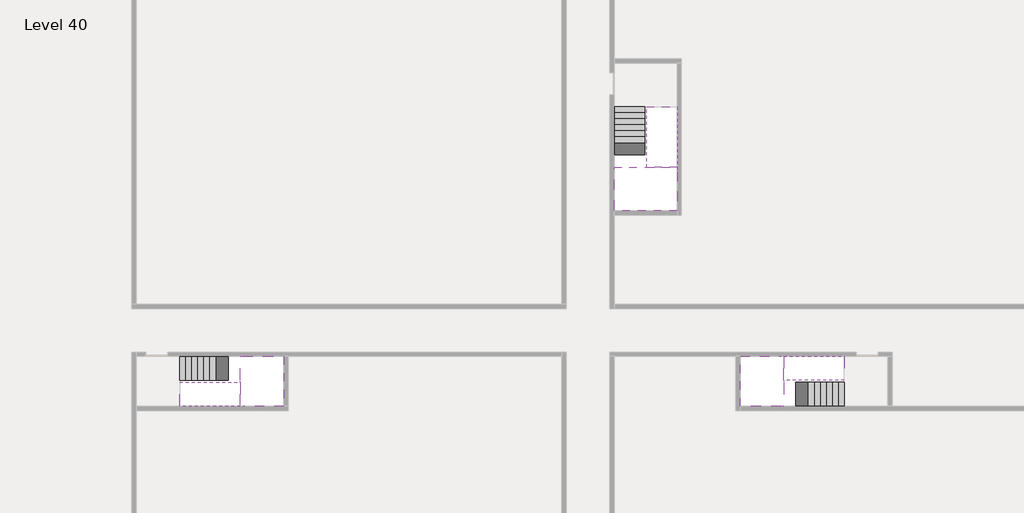
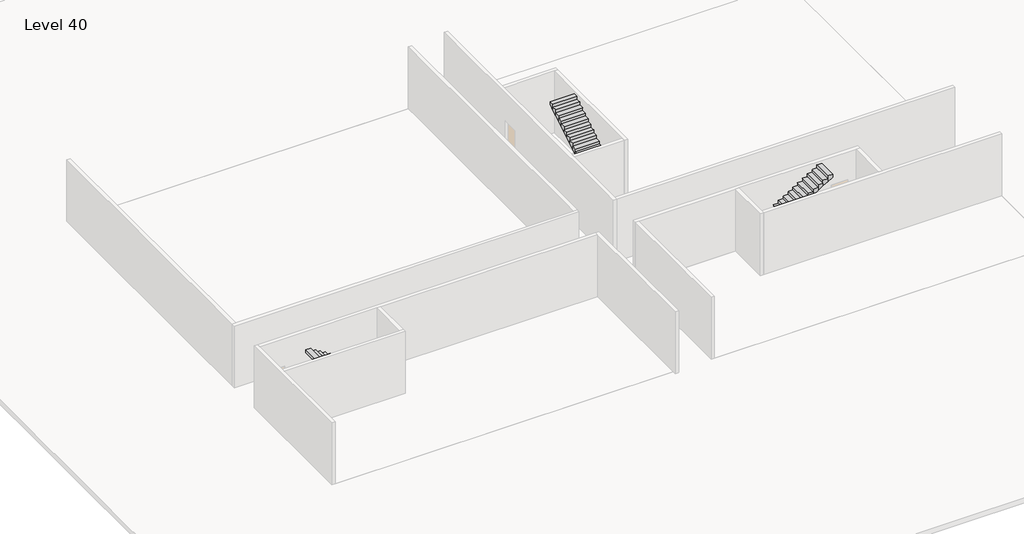
# One storey, part 2 of 2: 6 stair flights, 3 slabs.
"""IFC4 building model written with IfcOpenShell, lengths in millimetres."""

from ifc_helpers import new_model, si_unit, origin, place, context, project, spatial, faceted_brep, element, save

model = new_model("IFC4")

# Units and contexts
model_context = context("Model", 3, world=origin())
ifc_project = project(units=[si_unit("LENGTHUNIT", "METRE", prefix="MILLI")], contexts=[model_context])

# Site, building, storey
site = spatial("IfcSite", under=ifc_project)
building = spatial("IfcBuilding", under=site)
storey = spatial("IfcBuildingStorey", under=building, Name="Level 40", Elevation=148200.0)

# Slabs
placement = place(None, origin())
element("IfcSlab", 1, at=placement, inside=storey, context=model_context, shape_type="Brep", body=[
    faceted_brep([(8190.1058784, -42918.09644, 150100.0), (8190.1058784, -44018.09644, 150100.0), (8190.1058784, -44118.09644, 150100.0), (8190.1058784, -45218.09644, 150100.0), (8390.7194421, -45218.09644, 150100.0), (10190.1058784, -45218.09644, 150100.0), (10190.1058784, -42918.09644, 150100.0), (8269.4923146, -42918.09644, 150100.0), (8190.1058784, -42918.09644, 149927.2727273), (8190.1058784, -42918.09644, 149751.0278478), (8190.1058784, -44018.09644, 149751.0278478), (8190.1058784, -44018.09644, 149800.0), (8190.1058784, -44118.09644, 149800.0), (8190.1058784, -44118.09644, 149923.7551205), (8190.1058784, -45218.09644, 149923.7551205), (8390.7194421, -45218.09644, 149800.0), (10190.1058784, -45218.09644, 149800.0), (10190.1058784, -42918.09644, 149800.0), (8269.4923146, -42918.09644, 149800.0), (8390.7194421, -44118.09644, 149800.0), (8269.4923146, -44018.09644, 149800.0)], [[[0, 1, 2, 3, 4, 5, 6, 7]], [[1, 0, 8, 9, 10, 11]], [[2, 1, 11, 12, 13]], [[3, 2, 13, 14]], [[3, 14, 15, 16, 5, 4]], [[6, 5, 16, 17]], [[9, 8, 0, 7, 6, 17, 18]], [[19, 12, 11, 20, 18, 17, 16, 15]], [[12, 19, 13]], [[18, 20, 10, 9]], [[20, 11, 10]], [[19, 15, 14, 13]]]),
])
element("IfcSlab", 2, at=placement, inside=storey, context=model_context, shape_type="Brep", body=[
    faceted_brep([(33190.1058784, -45218.09644, 150100.0), (33190.1058784, -44118.09644, 150100.0), (33190.1058784, -44018.09644, 150100.0), (33190.1058784, -42918.09644, 150100.0), (32989.4923146, -42918.09644, 150100.0), (31190.1058784, -42918.09644, 150100.0), (31190.1058784, -45218.09644, 150100.0), (33110.7194421, -45218.09644, 150100.0), (33190.1058784, -45218.09644, 149927.2727273), (33190.1058784, -45218.09644, 149751.0278478), (33190.1058784, -44118.09644, 149751.0278478), (33190.1058784, -44118.09644, 149800.0), (33190.1058784, -44018.09644, 149800.0), (33190.1058784, -44018.09644, 149923.7551205), (33190.1058784, -42918.09644, 149923.7551205), (32989.4923146, -42918.09644, 149800.0), (31190.1058784, -42918.09644, 149800.0), (31190.1058784, -45218.09644, 149800.0), (33110.7194421, -45218.09644, 149800.0), (32989.4923146, -44018.09644, 149800.0), (33110.7194421, -44118.09644, 149800.0)], [[[0, 1, 2, 3, 4, 5, 6, 7]], [[1, 0, 8, 9, 10, 11]], [[2, 1, 11, 12, 13]], [[3, 2, 13, 14]], [[3, 14, 15, 16, 5, 4]], [[6, 5, 16, 17]], [[9, 8, 0, 7, 6, 17, 18]], [[19, 12, 11, 20, 18, 17, 16, 15]], [[12, 19, 13]], [[18, 20, 10, 9]], [[20, 11, 10]], [[19, 15, 14, 13]]]),
])
element("IfcSlab", 3, at=placement, inside=storey, context=model_context, shape_type="Brep", body=[
    faceted_brep([(26790.1058784, -34218.09644, 150100.0), (25390.1058784, -34218.09644, 150100.0), (25390.1058784, -34297.4828763, 150100.0), (25390.1058784, -36218.09644, 150100.0), (28290.1058784, -36218.09644, 150100.0), (28290.1058784, -34418.7100038, 150100.0), (28290.1058784, -34218.09644, 150100.0), (26890.1058784, -34218.09644, 150100.0), (26790.1058784, -34218.09644, 149800.0), (26790.1058784, -34218.09644, 149751.0278478), (25390.1058784, -34218.09644, 149751.0278478), (25390.1058784, -34218.09644, 149927.2727273), (25390.1058784, -34297.4828763, 149800.0), (25390.1058784, -36218.09644, 149800.0), (28290.1058784, -36218.09644, 149800.0), (28290.1058784, -34418.7100038, 149800.0), (28290.1058784, -34218.09644, 149923.7551205), (26890.1058784, -34218.09644, 149923.7551205), (26890.1058784, -34218.09644, 149800.0), (26890.1058784, -34418.7100038, 149800.0), (26790.1058784, -34297.4828763, 149800.0)], [[[0, 1, 2, 3, 4, 5, 6, 7]], [[1, 0, 8, 9, 10, 11]], [[1, 11, 10, 12, 13, 3, 2]], [[4, 3, 13, 14]], [[4, 14, 15, 16, 6, 5]], [[7, 6, 16, 17]], [[0, 7, 17, 18, 8]], [[18, 19, 15, 14, 13, 12, 20, 8]], [[19, 18, 17]], [[20, 12, 10, 9]], [[8, 20, 9]], [[15, 19, 17, 16]]]),
])

# Stair flights
element("IfcStairFlight", 4, at=placement, inside=storey, context=model_context, shape_type="Brep", body=[
    faceted_brep([(5670.1058784, -42918.09644, 148372.7272727), (5390.1058784, -42918.09644, 148372.7272727), (5390.1058784, -44018.09644, 148372.7272727), (5670.1058784, -44018.09644, 148372.7272727), (5670.1058784, -42918.09644, 148200.0), (5390.1058784, -42918.09644, 148200.0), (5390.1058784, -44018.09644, 148200.0), (5670.1058784, -44018.09644, 148200.0), (5950.1058784, -42918.09644, 148545.4545455), (5670.1058784, -42918.09644, 148545.4545455), (5670.1058784, -44018.09644, 148545.4545455), (5950.1058784, -44018.09644, 148545.4545455), (5950.1058784, -42918.09644, 148369.209666), (5675.8081041, -42918.09644, 148200.0), (5675.8081041, -44018.09644, 148200.0), (5950.1058784, -44018.09644, 148369.209666), (6230.1058784, -42918.09644, 148718.1818182), (5950.1058784, -42918.09644, 148718.1818182), (5950.1058784, -44018.09644, 148718.1818182), (6230.1058784, -44018.09644, 148718.1818182), (6230.1058784, -42918.09644, 148541.9369387), (6230.1058784, -44018.09644, 148541.9369387), (6510.1058784, -42918.09644, 148890.9090909), (6230.1058784, -42918.09644, 148890.9090909), (6230.1058784, -44018.09644, 148890.9090909), (6510.1058784, -44018.09644, 148890.9090909), (6510.1058784, -42918.09644, 148714.6642114), (6510.1058784, -44018.09644, 148714.6642114), (6790.1058784, -42918.09644, 149063.6363636), (6510.1058784, -42918.09644, 149063.6363636), (6510.1058784, -44018.09644, 149063.6363636), (6790.1058784, -44018.09644, 149063.6363636), (6790.1058784, -42918.09644, 148887.3914841), (6790.1058784, -44018.09644, 148887.3914841), (7070.1058784, -42918.09644, 149236.3636364), (6790.1058784, -42918.09644, 149236.3636364), (6790.1058784, -44018.09644, 149236.3636364), (7070.1058784, -44018.09644, 149236.3636364), (7070.1058784, -42918.09644, 149060.1187569), (7070.1058784, -44018.09644, 149060.1187569), (7350.1058784, -42918.09644, 149409.0909091), (7070.1058784, -42918.09644, 149409.0909091), (7070.1058784, -44018.09644, 149409.0909091), (7350.1058784, -44018.09644, 149409.0909091), (7350.1058784, -42918.09644, 149232.8460296), (7350.1058784, -44018.09644, 149232.8460296), (7630.1058784, -42918.09644, 149581.8181818), (7350.1058784, -42918.09644, 149581.8181818), (7350.1058784, -44018.09644, 149581.8181818), (7630.1058784, -44018.09644, 149581.8181818), (7630.1058784, -42918.09644, 149405.5733023), (7630.1058784, -44018.09644, 149405.5733023), (7910.1058784, -42918.09644, 149754.5454545), (7630.1058784, -42918.09644, 149754.5454545), (7630.1058784, -44018.09644, 149754.5454545), (7910.1058784, -44018.09644, 149754.5454545), (7910.1058784, -42918.09644, 149578.3005751), (7910.1058784, -44018.09644, 149578.3005751), (8190.1058784, -42918.09644, 149927.2727273), (7910.1058784, -42918.09644, 149927.2727273), (7910.1058784, -44018.09644, 149927.2727273), (8190.1058784, -44018.09644, 149927.2727273), (8190.1058784, -42918.09644, 149751.0278478), (8190.1058784, -44018.09644, 149751.0278478), (8190.1058784, -44018.09644, 149800.0)], [[[0, 1, 2, 3]], [[1, 0, 4, 5]], [[2, 1, 5, 6]], [[3, 2, 6, 7]], [[8, 9, 10, 11]], [[4, 0, 9, 8, 12, 13]], [[0, 3, 10, 9]], [[3, 7, 14, 15, 11, 10]], [[16, 17, 18, 19]], [[17, 16, 20, 12, 8]], [[8, 11, 18, 17]], [[19, 18, 11, 15, 21]], [[22, 23, 24, 25]], [[23, 22, 26, 20, 16]], [[16, 19, 24, 23]], [[25, 24, 19, 21, 27]], [[28, 29, 30, 31]], [[29, 28, 32, 26, 22]], [[22, 25, 30, 29]], [[31, 30, 25, 27, 33]], [[34, 35, 36, 37]], [[35, 34, 38, 32, 28]], [[28, 31, 36, 35]], [[37, 36, 31, 33, 39]], [[40, 41, 42, 43]], [[41, 40, 44, 38, 34]], [[34, 37, 42, 41]], [[43, 42, 37, 39, 45]], [[46, 47, 48, 49]], [[47, 46, 50, 44, 40]], [[40, 43, 48, 47]], [[49, 48, 43, 45, 51]], [[52, 53, 54, 55]], [[53, 52, 56, 50, 46]], [[46, 49, 54, 53]], [[55, 54, 49, 51, 57]], [[58, 59, 60, 61]], [[59, 58, 62, 56, 52]], [[52, 55, 60, 59]], [[61, 60, 55, 57, 63, 64]], [[58, 61, 64, 63, 62]], [[5, 4, 13, 14, 7, 6]], [[14, 13, 12, 20, 26, 32, 38, 44, 50, 56, 62, 63, 57, 51, 45, 39, 33, 27, 21, 15]]]),
])
element("IfcStairFlight", 5, at=placement, inside=storey, context=model_context, shape_type="Brep", body=[
    faceted_brep([(7910.1058784, -45218.09644, 150272.7272727), (8190.1058784, -45218.09644, 150272.7272727), (8190.1058784, -44118.09644, 150272.7272727), (7910.1058784, -44118.09644, 150272.7272727), (7910.1058784, -45218.09644, 150096.4823932), (8190.1058784, -45218.09644, 149923.7551205), (8190.1058784, -45218.09644, 150100.0), (8190.1058784, -44118.09644, 149923.7551205), (7910.1058784, -44118.09644, 150096.4823932), (7630.1058784, -45218.09644, 150445.4545455), (7910.1058784, -45218.09644, 150445.4545455), (7910.1058784, -44118.09644, 150445.4545455), (7630.1058784, -44118.09644, 150445.4545455), (7630.1058784, -45218.09644, 150269.209666), (7630.1058784, -44118.09644, 150269.209666), (7350.1058784, -45218.09644, 150618.1818182), (7630.1058784, -45218.09644, 150618.1818182), (7630.1058784, -44118.09644, 150618.1818182), (7350.1058784, -44118.09644, 150618.1818182), (7350.1058784, -45218.09644, 150441.9369387), (7350.1058784, -44118.09644, 150441.9369387), (7070.1058784, -45218.09644, 150790.9090909), (7350.1058784, -45218.09644, 150790.9090909), (7350.1058784, -44118.09644, 150790.9090909), (7070.1058784, -44118.09644, 150790.9090909), (7070.1058784, -45218.09644, 150614.6642114), (7070.1058784, -44118.09644, 150614.6642114), (6790.1058784, -45218.09644, 150963.6363636), (7070.1058784, -45218.09644, 150963.6363636), (7070.1058784, -44118.09644, 150963.6363636), (6790.1058784, -44118.09644, 150963.6363636), (6790.1058784, -45218.09644, 150787.3914841), (6790.1058784, -44118.09644, 150787.3914841), (6510.1058784, -45218.09644, 151136.3636364), (6790.1058784, -45218.09644, 151136.3636364), (6790.1058784, -44118.09644, 151136.3636364), (6510.1058784, -44118.09644, 151136.3636364), (6510.1058784, -45218.09644, 150960.1187569), (6510.1058784, -44118.09644, 150960.1187569), (6230.1058784, -45218.09644, 151309.0909091), (6510.1058784, -45218.09644, 151309.0909091), (6510.1058784, -44118.09644, 151309.0909091), (6230.1058784, -44118.09644, 151309.0909091), (6230.1058784, -45218.09644, 151132.8460296), (6230.1058784, -44118.09644, 151132.8460296), (5950.1058784, -45218.09644, 151481.8181818), (6230.1058784, -45218.09644, 151481.8181818), (6230.1058784, -44118.09644, 151481.8181818), (5950.1058784, -44118.09644, 151481.8181818), (5950.1058784, -45218.09644, 151305.5733023), (5950.1058784, -44118.09644, 151305.5733023), (5670.1058784, -45218.09644, 151654.5454545), (5950.1058784, -45218.09644, 151654.5454545), (5950.1058784, -44118.09644, 151654.5454545), (5670.1058784, -44118.09644, 151654.5454545), (5670.1058784, -45218.09644, 151478.3005751), (5670.1058784, -44118.09644, 151478.3005751), (5390.1058784, -45218.09644, 151827.2727273), (5670.1058784, -45218.09644, 151827.2727273), (5670.1058784, -44118.09644, 151827.2727273), (5390.1058784, -44118.09644, 151827.2727273), (5390.1058784, -45218.09644, 151651.0278478), (5390.1058784, -44118.09644, 151651.0278478)], [[[0, 1, 2, 3]], [[1, 0, 4, 5, 6]], [[2, 1, 6, 5, 7]], [[3, 2, 7, 8]], [[9, 10, 11, 12]], [[10, 9, 13, 4, 0]], [[11, 10, 0, 3]], [[12, 11, 3, 8, 14]], [[15, 16, 17, 18]], [[16, 15, 19, 13, 9]], [[17, 16, 9, 12]], [[18, 17, 12, 14, 20]], [[21, 22, 23, 24]], [[22, 21, 25, 19, 15]], [[23, 22, 15, 18]], [[24, 23, 18, 20, 26]], [[27, 28, 29, 30]], [[28, 27, 31, 25, 21]], [[29, 28, 21, 24]], [[30, 29, 24, 26, 32]], [[33, 34, 35, 36]], [[34, 33, 37, 31, 27]], [[35, 34, 27, 30]], [[36, 35, 30, 32, 38]], [[39, 40, 41, 42]], [[40, 39, 43, 37, 33]], [[41, 40, 33, 36]], [[42, 41, 36, 38, 44]], [[45, 46, 47, 48]], [[46, 45, 49, 43, 39]], [[47, 46, 39, 42]], [[48, 47, 42, 44, 50]], [[51, 52, 53, 54]], [[52, 51, 55, 49, 45]], [[53, 52, 45, 48]], [[54, 53, 48, 50, 56]], [[57, 58, 59, 60]], [[58, 57, 61, 55, 51]], [[59, 58, 51, 54]], [[60, 59, 54, 56, 62]], [[57, 60, 62, 61]], [[5, 4, 13, 19, 25, 31, 37, 43, 49, 55, 61, 62, 56, 50, 44, 38, 32, 26, 20, 14, 8, 7]]]),
])
element("IfcStairFlight", 6, at=placement, inside=storey, context=model_context, shape_type="Brep", body=[
    faceted_brep([(35710.1058784, -45218.09644, 148372.7272727), (35990.1058784, -45218.09644, 148372.7272727), (35990.1058784, -44118.09644, 148372.7272727), (35710.1058784, -44118.09644, 148372.7272727), (35710.1058784, -45218.09644, 148200.0), (35990.1058784, -45218.09644, 148200.0), (35990.1058784, -44118.09644, 148200.0), (35710.1058784, -44118.09644, 148200.0), (35430.1058784, -45218.09644, 148545.4545455), (35710.1058784, -45218.09644, 148545.4545455), (35710.1058784, -44118.09644, 148545.4545455), (35430.1058784, -44118.09644, 148545.4545455), (35430.1058784, -45218.09644, 148369.209666), (35704.4036527, -45218.09644, 148200.0), (35704.4036527, -44118.09644, 148200.0), (35430.1058784, -44118.09644, 148369.209666), (35150.1058784, -45218.09644, 148718.1818182), (35430.1058784, -45218.09644, 148718.1818182), (35430.1058784, -44118.09644, 148718.1818182), (35150.1058784, -44118.09644, 148718.1818182), (35150.1058784, -45218.09644, 148541.9369387), (35150.1058784, -44118.09644, 148541.9369387), (34870.1058784, -45218.09644, 148890.9090909), (35150.1058784, -45218.09644, 148890.9090909), (35150.1058784, -44118.09644, 148890.9090909), (34870.1058784, -44118.09644, 148890.9090909), (34870.1058784, -45218.09644, 148714.6642114), (34870.1058784, -44118.09644, 148714.6642114), (34590.1058784, -45218.09644, 149063.6363636), (34870.1058784, -45218.09644, 149063.6363636), (34870.1058784, -44118.09644, 149063.6363636), (34590.1058784, -44118.09644, 149063.6363636), (34590.1058784, -45218.09644, 148887.3914841), (34590.1058784, -44118.09644, 148887.3914841), (34310.1058784, -45218.09644, 149236.3636364), (34590.1058784, -45218.09644, 149236.3636364), (34590.1058784, -44118.09644, 149236.3636364), (34310.1058784, -44118.09644, 149236.3636364), (34310.1058784, -45218.09644, 149060.1187569), (34310.1058784, -44118.09644, 149060.1187569), (34030.1058784, -45218.09644, 149409.0909091), (34310.1058784, -45218.09644, 149409.0909091), (34310.1058784, -44118.09644, 149409.0909091), (34030.1058784, -44118.09644, 149409.0909091), (34030.1058784, -45218.09644, 149232.8460296), (34030.1058784, -44118.09644, 149232.8460296), (33750.1058784, -45218.09644, 149581.8181818), (34030.1058784, -45218.09644, 149581.8181818), (34030.1058784, -44118.09644, 149581.8181818), (33750.1058784, -44118.09644, 149581.8181818), (33750.1058784, -45218.09644, 149405.5733023), (33750.1058784, -44118.09644, 149405.5733023), (33470.1058784, -45218.09644, 149754.5454545), (33750.1058784, -45218.09644, 149754.5454545), (33750.1058784, -44118.09644, 149754.5454545), (33470.1058784, -44118.09644, 149754.5454545), (33470.1058784, -45218.09644, 149578.3005751), (33470.1058784, -44118.09644, 149578.3005751), (33190.1058784, -45218.09644, 149927.2727273), (33470.1058784, -45218.09644, 149927.2727273), (33470.1058784, -44118.09644, 149927.2727273), (33190.1058784, -44118.09644, 149927.2727273), (33190.1058784, -45218.09644, 149751.0278478), (33190.1058784, -44118.09644, 149751.0278478), (33190.1058784, -44118.09644, 149800.0)], [[[0, 1, 2, 3]], [[1, 0, 4, 5]], [[2, 1, 5, 6]], [[3, 2, 6, 7]], [[8, 9, 10, 11]], [[4, 0, 9, 8, 12, 13]], [[0, 3, 10, 9]], [[3, 7, 14, 15, 11, 10]], [[16, 17, 18, 19]], [[17, 16, 20, 12, 8]], [[8, 11, 18, 17]], [[19, 18, 11, 15, 21]], [[22, 23, 24, 25]], [[23, 22, 26, 20, 16]], [[16, 19, 24, 23]], [[25, 24, 19, 21, 27]], [[28, 29, 30, 31]], [[29, 28, 32, 26, 22]], [[22, 25, 30, 29]], [[31, 30, 25, 27, 33]], [[34, 35, 36, 37]], [[35, 34, 38, 32, 28]], [[28, 31, 36, 35]], [[37, 36, 31, 33, 39]], [[40, 41, 42, 43]], [[41, 40, 44, 38, 34]], [[34, 37, 42, 41]], [[43, 42, 37, 39, 45]], [[46, 47, 48, 49]], [[47, 46, 50, 44, 40]], [[40, 43, 48, 47]], [[49, 48, 43, 45, 51]], [[52, 53, 54, 55]], [[53, 52, 56, 50, 46]], [[46, 49, 54, 53]], [[55, 54, 49, 51, 57]], [[58, 59, 60, 61]], [[59, 58, 62, 56, 52]], [[52, 55, 60, 59]], [[61, 60, 55, 57, 63, 64]], [[58, 61, 64, 63, 62]], [[5, 4, 13, 14, 7, 6]], [[14, 13, 12, 20, 26, 32, 38, 44, 50, 56, 62, 63, 57, 51, 45, 39, 33, 27, 21, 15]]]),
])
element("IfcStairFlight", 7, at=placement, inside=storey, context=model_context, shape_type="Brep", body=[
    faceted_brep([(33470.1058784, -42918.09644, 150272.7272727), (33190.1058784, -42918.09644, 150272.7272727), (33190.1058784, -44018.09644, 150272.7272727), (33470.1058784, -44018.09644, 150272.7272727), (33470.1058784, -42918.09644, 150096.4823932), (33190.1058784, -42918.09644, 149923.7551205), (33190.1058784, -42918.09644, 150100.0), (33190.1058784, -44018.09644, 149923.7551205), (33470.1058784, -44018.09644, 150096.4823932), (33750.1058784, -42918.09644, 150445.4545455), (33470.1058784, -42918.09644, 150445.4545455), (33470.1058784, -44018.09644, 150445.4545455), (33750.1058784, -44018.09644, 150445.4545455), (33750.1058784, -42918.09644, 150269.209666), (33750.1058784, -44018.09644, 150269.209666), (34030.1058784, -42918.09644, 150618.1818182), (33750.1058784, -42918.09644, 150618.1818182), (33750.1058784, -44018.09644, 150618.1818182), (34030.1058784, -44018.09644, 150618.1818182), (34030.1058784, -42918.09644, 150441.9369387), (34030.1058784, -44018.09644, 150441.9369387), (34310.1058784, -42918.09644, 150790.9090909), (34030.1058784, -42918.09644, 150790.9090909), (34030.1058784, -44018.09644, 150790.9090909), (34310.1058784, -44018.09644, 150790.9090909), (34310.1058784, -42918.09644, 150614.6642114), (34310.1058784, -44018.09644, 150614.6642114), (34590.1058784, -42918.09644, 150963.6363636), (34310.1058784, -42918.09644, 150963.6363636), (34310.1058784, -44018.09644, 150963.6363636), (34590.1058784, -44018.09644, 150963.6363636), (34590.1058784, -42918.09644, 150787.3914841), (34590.1058784, -44018.09644, 150787.3914841), (34870.1058784, -42918.09644, 151136.3636364), (34590.1058784, -42918.09644, 151136.3636364), (34590.1058784, -44018.09644, 151136.3636364), (34870.1058784, -44018.09644, 151136.3636364), (34870.1058784, -42918.09644, 150960.1187569), (34870.1058784, -44018.09644, 150960.1187569), (35150.1058784, -42918.09644, 151309.0909091), (34870.1058784, -42918.09644, 151309.0909091), (34870.1058784, -44018.09644, 151309.0909091), (35150.1058784, -44018.09644, 151309.0909091), (35150.1058784, -42918.09644, 151132.8460296), (35150.1058784, -44018.09644, 151132.8460296), (35430.1058784, -42918.09644, 151481.8181818), (35150.1058784, -42918.09644, 151481.8181818), (35150.1058784, -44018.09644, 151481.8181818), (35430.1058784, -44018.09644, 151481.8181818), (35430.1058784, -42918.09644, 151305.5733023), (35430.1058784, -44018.09644, 151305.5733023), (35710.1058784, -42918.09644, 151654.5454545), (35430.1058784, -42918.09644, 151654.5454545), (35430.1058784, -44018.09644, 151654.5454545), (35710.1058784, -44018.09644, 151654.5454545), (35710.1058784, -42918.09644, 151478.3005751), (35710.1058784, -44018.09644, 151478.3005751), (35990.1058784, -42918.09644, 151827.2727273), (35710.1058784, -42918.09644, 151827.2727273), (35710.1058784, -44018.09644, 151827.2727273), (35990.1058784, -44018.09644, 151827.2727273), (35990.1058784, -42918.09644, 151651.0278478), (35990.1058784, -44018.09644, 151651.0278478)], [[[0, 1, 2, 3]], [[1, 0, 4, 5, 6]], [[2, 1, 6, 5, 7]], [[3, 2, 7, 8]], [[9, 10, 11, 12]], [[10, 9, 13, 4, 0]], [[11, 10, 0, 3]], [[12, 11, 3, 8, 14]], [[15, 16, 17, 18]], [[16, 15, 19, 13, 9]], [[17, 16, 9, 12]], [[18, 17, 12, 14, 20]], [[21, 22, 23, 24]], [[22, 21, 25, 19, 15]], [[23, 22, 15, 18]], [[24, 23, 18, 20, 26]], [[27, 28, 29, 30]], [[28, 27, 31, 25, 21]], [[29, 28, 21, 24]], [[30, 29, 24, 26, 32]], [[33, 34, 35, 36]], [[34, 33, 37, 31, 27]], [[35, 34, 27, 30]], [[36, 35, 30, 32, 38]], [[39, 40, 41, 42]], [[40, 39, 43, 37, 33]], [[41, 40, 33, 36]], [[42, 41, 36, 38, 44]], [[45, 46, 47, 48]], [[46, 45, 49, 43, 39]], [[47, 46, 39, 42]], [[48, 47, 42, 44, 50]], [[51, 52, 53, 54]], [[52, 51, 55, 49, 45]], [[53, 52, 45, 48]], [[54, 53, 48, 50, 56]], [[57, 58, 59, 60]], [[58, 57, 61, 55, 51]], [[59, 58, 51, 54]], [[60, 59, 54, 56, 62]], [[57, 60, 62, 61]], [[5, 4, 13, 19, 25, 31, 37, 43, 49, 55, 61, 62, 56, 50, 44, 38, 32, 26, 20, 14, 8, 7]]]),
])
element("IfcStairFlight", 8, at=placement, inside=storey, context=model_context, shape_type="Brep", body=[
    faceted_brep([(26790.1058784, -31698.09644, 148372.7272727), (26790.1058784, -31418.09644, 148372.7272727), (25390.1058784, -31418.09644, 148372.7272727), (25390.1058784, -31698.09644, 148372.7272727), (26790.1058784, -31698.09644, 148200.0), (26790.1058784, -31418.09644, 148200.0), (25390.1058784, -31418.09644, 148200.0), (25390.1058784, -31698.09644, 148200.0), (26790.1058784, -31978.09644, 148545.4545455), (26790.1058784, -31698.09644, 148545.4545455), (25390.1058784, -31698.09644, 148545.4545455), (25390.1058784, -31978.09644, 148545.4545455), (26790.1058784, -31978.09644, 148369.209666), (26790.1058784, -31703.7986657, 148200.0), (25390.1058784, -31703.7986657, 148200.0), (25390.1058784, -31978.09644, 148369.209666), (26790.1058784, -32258.09644, 148718.1818182), (26790.1058784, -31978.09644, 148718.1818182), (25390.1058784, -31978.09644, 148718.1818182), (25390.1058784, -32258.09644, 148718.1818182), (26790.1058784, -32258.09644, 148541.9369387), (25390.1058784, -32258.09644, 148541.9369387), (26790.1058784, -32538.09644, 148890.9090909), (26790.1058784, -32258.09644, 148890.9090909), (25390.1058784, -32258.09644, 148890.9090909), (25390.1058784, -32538.09644, 148890.9090909), (26790.1058784, -32538.09644, 148714.6642114), (25390.1058784, -32538.09644, 148714.6642114), (26790.1058784, -32818.09644, 149063.6363636), (26790.1058784, -32538.09644, 149063.6363636), (25390.1058784, -32538.09644, 149063.6363636), (25390.1058784, -32818.09644, 149063.6363636), (26790.1058784, -32818.09644, 148887.3914841), (25390.1058784, -32818.09644, 148887.3914841), (26790.1058784, -33098.09644, 149236.3636364), (26790.1058784, -32818.09644, 149236.3636364), (25390.1058784, -32818.09644, 149236.3636364), (25390.1058784, -33098.09644, 149236.3636364), (26790.1058784, -33098.09644, 149060.1187569), (25390.1058784, -33098.09644, 149060.1187569), (26790.1058784, -33378.09644, 149409.0909091), (26790.1058784, -33098.09644, 149409.0909091), (25390.1058784, -33098.09644, 149409.0909091), (25390.1058784, -33378.09644, 149409.0909091), (26790.1058784, -33378.09644, 149232.8460296), (25390.1058784, -33378.09644, 149232.8460296), (26790.1058784, -33658.09644, 149581.8181818), (26790.1058784, -33378.09644, 149581.8181818), (25390.1058784, -33378.09644, 149581.8181818), (25390.1058784, -33658.09644, 149581.8181818), (26790.1058784, -33658.09644, 149405.5733023), (25390.1058784, -33658.09644, 149405.5733023), (26790.1058784, -33938.09644, 149754.5454545), (26790.1058784, -33658.09644, 149754.5454545), (25390.1058784, -33658.09644, 149754.5454545), (25390.1058784, -33938.09644, 149754.5454545), (26790.1058784, -33938.09644, 149578.3005751), (25390.1058784, -33938.09644, 149578.3005751), (26790.1058784, -34218.09644, 149927.2727273), (26790.1058784, -33938.09644, 149927.2727273), (25390.1058784, -33938.09644, 149927.2727273), (25390.1058784, -34218.09644, 149927.2727273), (26790.1058784, -34218.09644, 149800.0), (26790.1058784, -34218.09644, 149751.0278478), (25390.1058784, -34218.09644, 149751.0278478)], [[[0, 1, 2, 3]], [[1, 0, 4, 5]], [[2, 1, 5, 6]], [[3, 2, 6, 7]], [[8, 9, 10, 11]], [[4, 0, 9, 8, 12, 13]], [[0, 3, 10, 9]], [[3, 7, 14, 15, 11, 10]], [[16, 17, 18, 19]], [[17, 16, 20, 12, 8]], [[8, 11, 18, 17]], [[19, 18, 11, 15, 21]], [[22, 23, 24, 25]], [[23, 22, 26, 20, 16]], [[16, 19, 24, 23]], [[25, 24, 19, 21, 27]], [[28, 29, 30, 31]], [[29, 28, 32, 26, 22]], [[22, 25, 30, 29]], [[31, 30, 25, 27, 33]], [[34, 35, 36, 37]], [[35, 34, 38, 32, 28]], [[28, 31, 36, 35]], [[37, 36, 31, 33, 39]], [[40, 41, 42, 43]], [[41, 40, 44, 38, 34]], [[34, 37, 42, 41]], [[43, 42, 37, 39, 45]], [[46, 47, 48, 49]], [[47, 46, 50, 44, 40]], [[40, 43, 48, 47]], [[49, 48, 43, 45, 51]], [[52, 53, 54, 55]], [[53, 52, 56, 50, 46]], [[46, 49, 54, 53]], [[55, 54, 49, 51, 57]], [[58, 59, 60, 61]], [[59, 58, 62, 63, 56, 52]], [[52, 55, 60, 59]], [[61, 60, 55, 57, 64]], [[58, 61, 64, 63, 62]], [[5, 4, 13, 14, 7, 6]], [[14, 13, 12, 20, 26, 32, 38, 44, 50, 56, 63, 64, 57, 51, 45, 39, 33, 27, 21, 15]]]),
])
element("IfcStairFlight", 9, at=placement, inside=storey, context=model_context, shape_type="Brep", body=[
    faceted_brep([(26890.1058784, -33938.09644, 150272.7272727), (26890.1058784, -34218.09644, 150272.7272727), (28290.1058784, -34218.09644, 150272.7272727), (28290.1058784, -33938.09644, 150272.7272727), (26890.1058784, -33938.09644, 150096.4823932), (26890.1058784, -34218.09644, 149923.7551205), (28290.1058784, -34218.09644, 149923.7551205), (28290.1058784, -34218.09644, 150100.0), (28290.1058784, -33938.09644, 150096.4823932), (26890.1058784, -33658.09644, 150445.4545455), (26890.1058784, -33938.09644, 150445.4545455), (28290.1058784, -33938.09644, 150445.4545455), (28290.1058784, -33658.09644, 150445.4545455), (26890.1058784, -33658.09644, 150269.209666), (28290.1058784, -33658.09644, 150269.209666), (26890.1058784, -33378.09644, 150618.1818182), (26890.1058784, -33658.09644, 150618.1818182), (28290.1058784, -33658.09644, 150618.1818182), (28290.1058784, -33378.09644, 150618.1818182), (26890.1058784, -33378.09644, 150441.9369387), (28290.1058784, -33378.09644, 150441.9369387), (26890.1058784, -33098.09644, 150790.9090909), (26890.1058784, -33378.09644, 150790.9090909), (28290.1058784, -33378.09644, 150790.9090909), (28290.1058784, -33098.09644, 150790.9090909), (26890.1058784, -33098.09644, 150614.6642114), (28290.1058784, -33098.09644, 150614.6642114), (26890.1058784, -32818.09644, 150963.6363636), (26890.1058784, -33098.09644, 150963.6363636), (28290.1058784, -33098.09644, 150963.6363636), (28290.1058784, -32818.09644, 150963.6363636), (26890.1058784, -32818.09644, 150787.3914841), (28290.1058784, -32818.09644, 150787.3914841), (26890.1058784, -32538.09644, 151136.3636364), (26890.1058784, -32818.09644, 151136.3636364), (28290.1058784, -32818.09644, 151136.3636364), (28290.1058784, -32538.09644, 151136.3636364), (26890.1058784, -32538.09644, 150960.1187569), (28290.1058784, -32538.09644, 150960.1187569), (26890.1058784, -32258.09644, 151309.0909091), (26890.1058784, -32538.09644, 151309.0909091), (28290.1058784, -32538.09644, 151309.0909091), (28290.1058784, -32258.09644, 151309.0909091), (26890.1058784, -32258.09644, 151132.8460296), (28290.1058784, -32258.09644, 151132.8460296), (26890.1058784, -31978.09644, 151481.8181818), (26890.1058784, -32258.09644, 151481.8181818), (28290.1058784, -32258.09644, 151481.8181818), (28290.1058784, -31978.09644, 151481.8181818), (26890.1058784, -31978.09644, 151305.5733023), (28290.1058784, -31978.09644, 151305.5733023), (26890.1058784, -31698.09644, 151654.5454545), (26890.1058784, -31978.09644, 151654.5454545), (28290.1058784, -31978.09644, 151654.5454545), (28290.1058784, -31698.09644, 151654.5454545), (26890.1058784, -31698.09644, 151478.3005751), (28290.1058784, -31698.09644, 151478.3005751), (26890.1058784, -31418.09644, 151827.2727273), (26890.1058784, -31698.09644, 151827.2727273), (28290.1058784, -31698.09644, 151827.2727273), (28290.1058784, -31418.09644, 151827.2727273), (26890.1058784, -31418.09644, 151651.0278478), (28290.1058784, -31418.09644, 151651.0278478)], [[[0, 1, 2, 3]], [[1, 0, 4, 5]], [[2, 1, 5, 6, 7]], [[3, 2, 7, 6, 8]], [[9, 10, 11, 12]], [[10, 9, 13, 4, 0]], [[11, 10, 0, 3]], [[12, 11, 3, 8, 14]], [[15, 16, 17, 18]], [[16, 15, 19, 13, 9]], [[17, 16, 9, 12]], [[18, 17, 12, 14, 20]], [[21, 22, 23, 24]], [[22, 21, 25, 19, 15]], [[23, 22, 15, 18]], [[24, 23, 18, 20, 26]], [[27, 28, 29, 30]], [[28, 27, 31, 25, 21]], [[29, 28, 21, 24]], [[30, 29, 24, 26, 32]], [[33, 34, 35, 36]], [[34, 33, 37, 31, 27]], [[35, 34, 27, 30]], [[36, 35, 30, 32, 38]], [[39, 40, 41, 42]], [[40, 39, 43, 37, 33]], [[41, 40, 33, 36]], [[42, 41, 36, 38, 44]], [[45, 46, 47, 48]], [[46, 45, 49, 43, 39]], [[47, 46, 39, 42]], [[48, 47, 42, 44, 50]], [[51, 52, 53, 54]], [[52, 51, 55, 49, 45]], [[53, 52, 45, 48]], [[54, 53, 48, 50, 56]], [[57, 58, 59, 60]], [[58, 57, 61, 55, 51]], [[59, 58, 51, 54]], [[60, 59, 54, 56, 62]], [[57, 60, 62, 61]], [[5, 4, 13, 19, 25, 31, 37, 43, 49, 55, 61, 62, 56, 50, 44, 38, 32, 26, 20, 14, 8, 6]]]),
])

save(model, "model.ifc")
